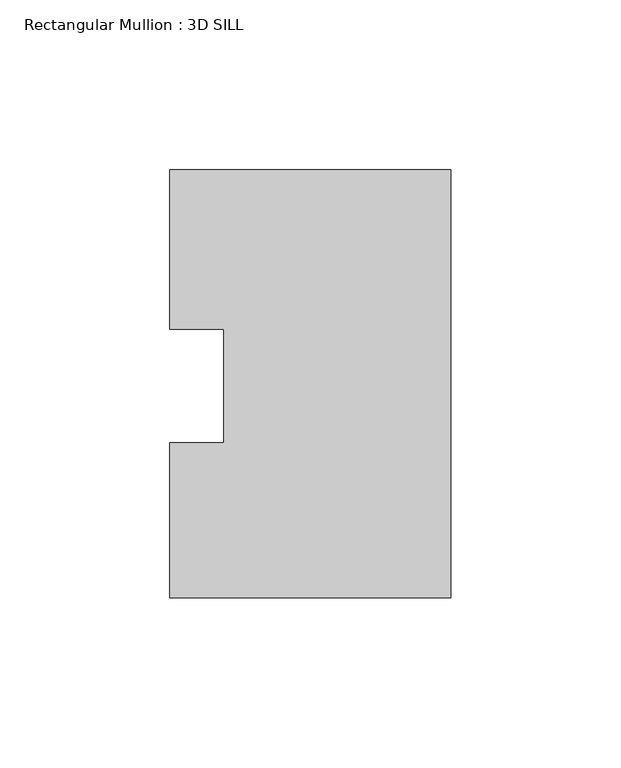
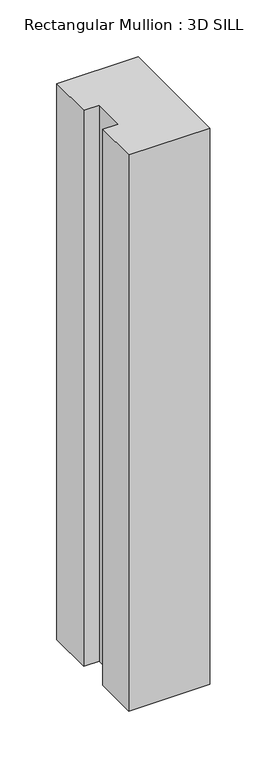
"""IFC4 building model written with IfcOpenShell, lengths in millimetres: member geometry, Rectangular Mullion : 3D SILL."""

from ifc_helpers import new_model, si_unit, frame, origin, place, context, project, spatial, polyline, outline, extrude, source, transform, mapped, element, save


def rectangular_mullion_3d_sill_357a3a4e(model_context):
    return source(origin(), model_context, "Body", "SweptSolid", [
        extrude(outline(polyline([(-82.5548917, 16.7234075), (-82.5548917, 63.5107262), (0.0, 63.5107262), (0.0, -62.2700738), (-82.5548917, -62.2700738), (-82.5548917, -16.7234075), (-66.6798917, -16.7234075), (-66.6798917, 16.7234075), (-82.5548917, 16.7234075)])), frame((0.0, 0.0, -596.375874), z_axis=(0.0, 0.0, 1.0), x_axis=(1.0, 0.0, 0.0)), (0.0, 0.0, 1.0), 596.375874),
    ])


if __name__ == "__main__":
    model = new_model("IFC4")
    model_context = context("Model", 3, world=origin())
    ifc_project = project(units=[si_unit("LENGTHUNIT", "METRE", prefix="MILLI")], contexts=[model_context])
    site = spatial("IfcSite", under=ifc_project)
    building = spatial("IfcBuilding", under=site)
    placement = place(None, origin())
    rectangular_mullion_3d_sill_shape = rectangular_mullion_3d_sill_357a3a4e(model_context)
    element("IfcMember", 1, ObjectType="Rectangular Mullion : 3D SILL", at=placement, inside=building, context=model_context, shape_type="MappedRepresentation", body=[
        mapped(rectangular_mullion_3d_sill_shape, transform((0.0, 0.0, 0.0), x_axis=(1.0, 0.0, 0.0), y_axis=(0.0, 1.0, 0.0), z_axis=(0.0, 0.0, 1.0))),
    ])
    save(model, "model.ifc")
